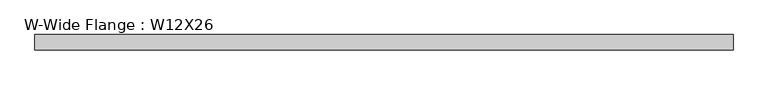
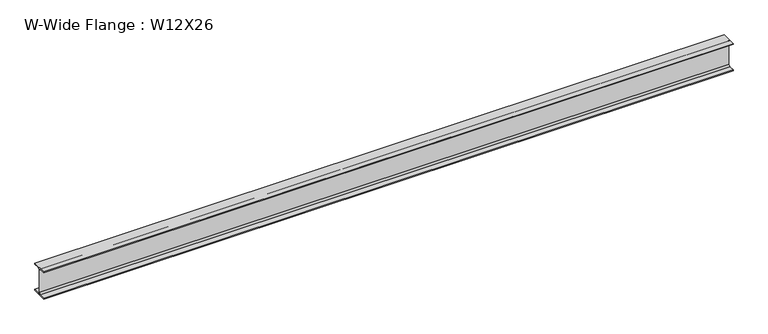
"""IFC4 building model written with IfcOpenShell, lengths in millimetres: beam geometry, W-Wide Flange : W12X26."""

from ifc_helpers import new_model, si_unit, point, frame, frame_2d, origin, place, context, project, spatial, polyline, circle_curve, trimmed, segment, composite_curve, outline, extrude, source, transform, mapped, element, save


def w_wide_flange_w12x26_75ce1340(model_context):
    return source(origin(), model_context, "Body", "SweptSolid", [
        extrude(outline(composite_curve([segment(polyline([(82.4011719, -145.5539063), (82.4011719, -155.178125), (-82.4011719, -155.178125), (-82.4011719, -145.5539063), (-20.2902344, -145.5539063)]), True, "CONTINUOUS"), segment(trimmed(circle_curve(frame_2d((-20.2902344, -128.190625)), 17.3632812), [point((-20.2902344, -145.5539063))], [point((-2.9269531, -128.190625))], True, "CARTESIAN"), True, "CONTINUOUS"), segment(polyline([(-2.9269531, -128.190625), (-2.9269531, 128.190625)]), True, "CONTINUOUS"), segment(trimmed(circle_curve(frame_2d((-20.2902344, 128.190625)), 17.3632812), [point((-2.9269531, 128.190625))], [point((-20.2902344, 145.5539062))], True, "CARTESIAN"), True, "CONTINUOUS"), segment(polyline([(-20.2902344, 145.5539062), (-82.4011719, 145.5539062), (-82.4011719, 155.178125), (82.4011719, 155.178125), (82.4011719, 145.5539062), (20.2902344, 145.5539062)]), True, "CONTINUOUS"), segment(trimmed(circle_curve(frame_2d((20.2902344, 128.190625)), 17.3632812), [point((20.2902344, 145.5539062))], [point((2.9269531, 128.190625))], True, "CARTESIAN"), True, "CONTINUOUS"), segment(polyline([(2.9269531, 128.190625), (2.9269531, -128.190625)]), True, "CONTINUOUS"), segment(trimmed(circle_curve(frame_2d((20.2902344, -128.190625)), 17.3632812), [point((2.9269531, -128.190625))], [point((20.2902344, -145.5539063))], True, "CARTESIAN"), True, "CONTINUOUS"), segment(polyline([(20.2902344, -145.5539063), (82.4011719, -145.5539063)]), True, "CONTINUOUS")], self_intersect=False)), frame((-3771.8999994, 0.0, 0.0), z_axis=(1.0, 0.0, 0.0), x_axis=(0.0, 1.0, 0.0)), (0.0, 0.0, 1.0), 7461.3988275),
    ])


if __name__ == "__main__":
    model = new_model("IFC4")
    model_context = context("Model", 3, world=origin())
    ifc_project = project(units=[si_unit("LENGTHUNIT", "METRE", prefix="MILLI")], contexts=[model_context])
    site = spatial("IfcSite", under=ifc_project)
    building = spatial("IfcBuilding", under=site)
    placement = place(None, origin())
    w_wide_flange_w12x26_shape = w_wide_flange_w12x26_75ce1340(model_context)
    element("IfcBeam", 1, ObjectType="W-Wide Flange : W12X26", at=placement, inside=building, context=model_context, shape_type="MappedRepresentation", body=[
        mapped(w_wide_flange_w12x26_shape, transform((0.0, 0.0, 0.0), x_axis=(1.0, 0.0, 0.0), y_axis=(0.0, 1.0, 0.0), z_axis=(0.0, 0.0, 1.0))),
    ])
    save(model, "model.ifc")
